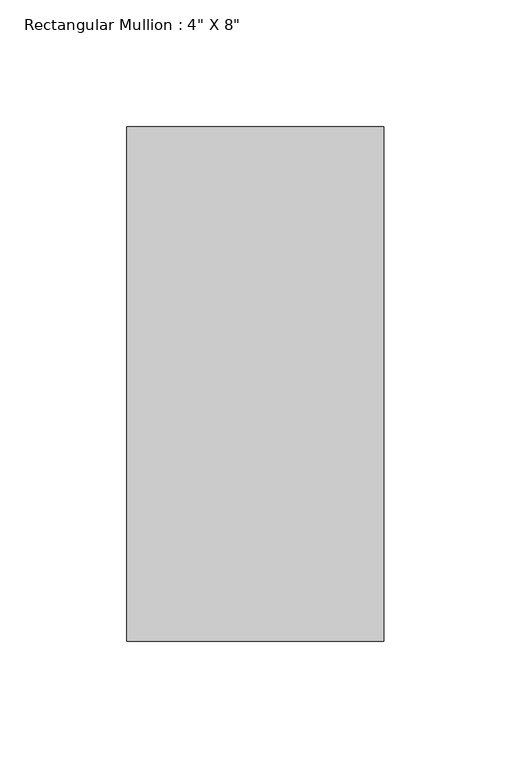
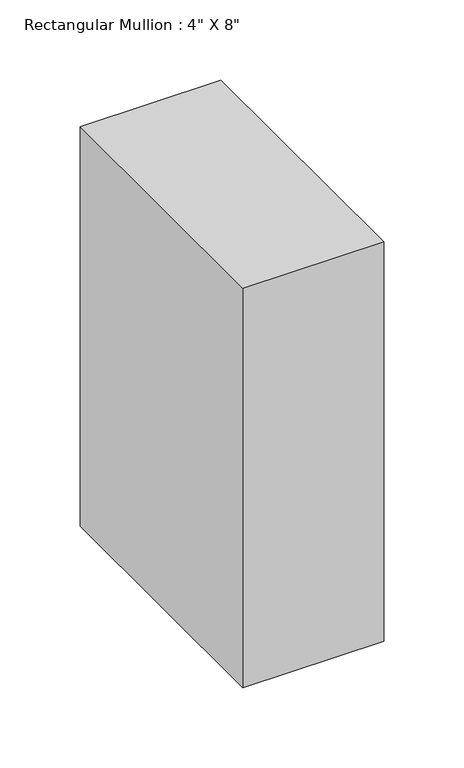
"""IFC4 building model written with IfcOpenShell, lengths in millimetres: member geometry."""

from ifc_helpers import new_model, si_unit, frame, origin, place, context, project, spatial, polyline, outline, extrude, source, transform, mapped, element, save


def member_f5e069c5(model_context):
    return source(origin(), model_context, "Body", "SweptSolid", [
        extrude(outline(polyline([(50.8, 139.7), (50.8, -63.5), (-50.8, -63.5), (-50.8, 139.7), (50.8, 139.7)])), frame((0.0, 0.0, -304.8), z_axis=(0.0, 0.0, 1.0), x_axis=(1.0, 0.0, 0.0)), (0.0, 0.0, 1.0), 304.8),
    ])


if __name__ == "__main__":
    model = new_model("IFC4")
    model_context = context("Model", 3, world=origin())
    ifc_project = project(units=[si_unit("LENGTHUNIT", "METRE", prefix="MILLI")], contexts=[model_context])
    site = spatial("IfcSite", under=ifc_project)
    building = spatial("IfcBuilding", under=site)
    placement = place(None, origin())
    member_shape = member_f5e069c5(model_context)
    element("IfcMember", 1, ObjectType="Rectangular Mullion : 4\" X 8\"", at=placement, inside=building, context=model_context, shape_type="MappedRepresentation", body=[
        mapped(member_shape, transform((0.0, 0.0, 0.0), x_axis=(1.0, 0.0, 0.0), y_axis=(0.0, 1.0, 0.0), z_axis=(0.0, 0.0, 1.0))),
    ])
    save(model, "model.ifc")
